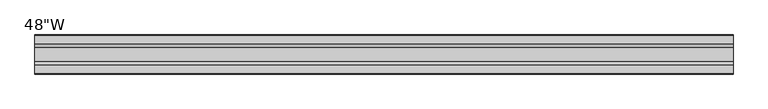
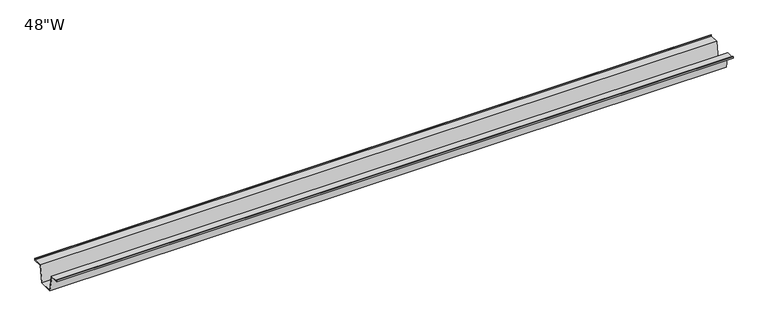
"""IFC4 building model written with IfcOpenShell, lengths in millimetres: furniture geometry."""

from ifc_helpers import new_model, si_unit, frame, origin, place, context, project, spatial, polyline, outline, extrude, source, transform, mapped, element, save


def furniture_7cddb605(model_context):
    return source(origin(), model_context, "Body", "SweptSolid", [
        extrude(outline(polyline([(-22.9397721, 676.275), (-28.502372, 646.0490007), (-53.9023728, 646.0490007), (-59.4649727, 676.275), (-75.3653716, 676.275), (-75.3653716, 679.45), (-74.5716216, 679.45), (-74.5716216, 677.06875), (-58.8172994, 677.06875), (-53.2546995, 646.8427507), (-29.1500453, 646.8427507), (-23.5874454, 677.06875), (-7.8331232, 677.06875), (-7.8331232, 679.45), (-7.0393732, 679.45), (-7.0393732, 676.275), (-22.9397721, 676.275)])), frame((-609.6, 0.0, 0.0), z_axis=(1.0, 0.0, 0.0), x_axis=(0.0, 1.0, 0.0)), (0.0, 0.0, 1.0), 1219.2),
    ])


if __name__ == "__main__":
    model = new_model("IFC4")
    model_context = context("Model", 3, world=origin())
    ifc_project = project(units=[si_unit("LENGTHUNIT", "METRE", prefix="MILLI")], contexts=[model_context])
    site = spatial("IfcSite", under=ifc_project)
    building = spatial("IfcBuilding", under=site)
    placement = place(None, origin())
    furniture_shape = furniture_7cddb605(model_context)
    element("IfcFurniture", 1, ObjectType="48\"W", at=placement, inside=building, context=model_context, shape_type="MappedRepresentation", body=[
        mapped(furniture_shape, transform((0.0, 0.0, 0.0), x_axis=(1.0, 0.0, 0.0), y_axis=(0.0, 1.0, 0.0), z_axis=(0.0, 0.0, 1.0))),
    ])
    save(model, "model.ifc")
